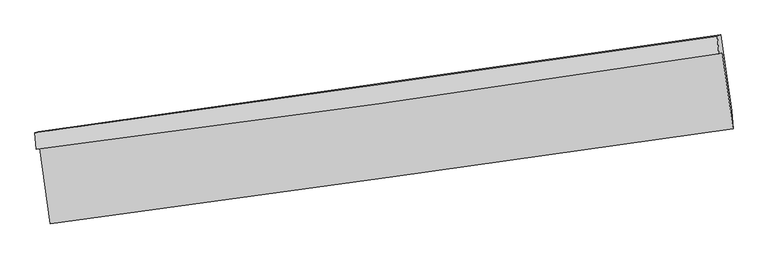
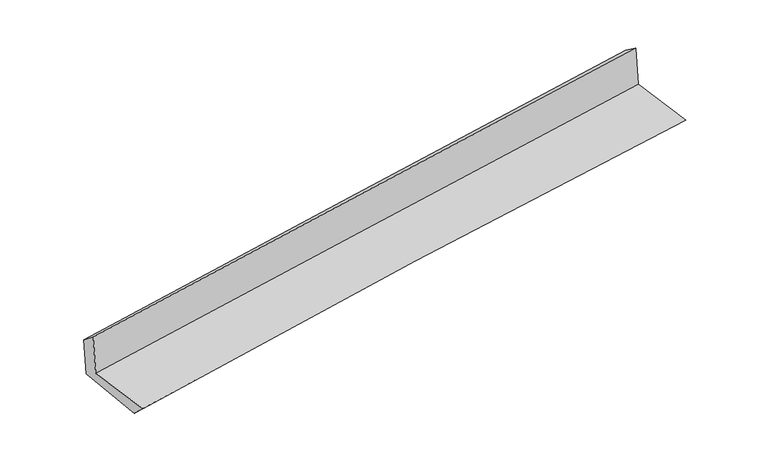
"""IFC4 building model written with IfcOpenShell, lengths in millimetres: proxy geometry."""

from ifc_helpers import new_model, si_unit, frame, origin, place, context, project, spatial, source, transform, mapped, element, save
from ifc_brep_helpers import plane_surface, spline_curve, spline_surface, advanced_brep


def generic_models_ae60f780(model_context):
    return source(origin(), model_context, "Body", "AdvancedBrep", [
        advanced_brep(
        [(-2993.5103754, -1914.75974, 1636.6551729), (-2900.8067273, -2571.9724688, 1626.3663111), (3036.7180107, -1746.2983745, 2120.1811026), (2943.4093653, -1084.1222184, 2130.5549896), (-3024.6338688, -1925.480554, 2041.0336299), (2912.6694344, -1094.7109103, 2529.9499314), (-3035.8169159, -1780.1022242, 1927.7384009), (2899.7277056, -939.5609193, 2421.7949473), (-3006.3827108, -1769.9633032, 1545.3083734), (2929.5454731, -929.2898762, 2034.3814046), (-2908.909547, -2441.0295753, 1499.903545), (3024.6925619, -1590.7564443, 1999.989045)],
        [
            (0, 1),
            (1, 2, spline_curve(3, [(-2900.8067273, -2571.9724688, 1626.3663111), (-1909.341163927, -2438.261513005, 1733.230665462), (-917.321273288, -2302.38591604, 1827.901488059), (1061.860284056, -2027.135270341, 1992.360256101), (2049.015306014, -1887.786169477, 2062.294363791), (3036.7180107, -1746.2983745, 2120.1811026)], [4, 2, 4], [0.0, 9.897502753389004, 19.735506476343012])),
            (2, 3),
            (3, 0, spline_curve(3, [(2943.4093653, -1084.1222184, 2130.5549896), (1957.414596104, -1234.443689077, 2062.246980029), (971.166229498, -1378.634072637, 1987.07948472), (-1007.803940836, -1655.587630721, 1822.52943404), (-2000.528821098, -1788.276421074, 1733.06365689), (-2993.5103754, -1914.75974, 1636.6551729)], [4, 2, 4], [0.0, 9.838003722954008, 19.735506476343012])),
            (4, 0),
            (3, 5),
            (5, 4, spline_curve(3, [(2912.6694344, -1094.7109103, 2529.9499314), (1926.487526731, -1245.096842909, 2464.073357862), (940.113537473, -1389.330498258, 2390.53803836), (-1038.985233118, -1666.328354251, 2227.658856571), (-2031.712345071, -1799.017913338, 2138.222075382), (-3024.6338688, -1925.480554, 2041.0336299)], [4, 2, 4], [0.0, 9.837909012786488, 19.735316483212586])),
            (6, 4),
            (5, 7),
            (7, 6, spline_curve(3, [(2899.7277056, -939.5609193, 2421.7949473), (1913.250069173, -1081.415427248, 2343.671326349), (926.873444306, -1222.179912537, 2263.568246804), (-1051.6426549, -1502.373572149, 2098.906746956), (-2043.780904161, -1641.789521685, 2014.324310546), (-3035.8169159, -1780.1022242, 1927.7384009)], [4, 2, 4], [0.0, 9.837664230581494, 19.73482543839008])),
            (8, 6),
            (7, 9),
            (9, 8, spline_curve(3, [(2929.5454731, -929.2898762, 2034.3814046), (1943.896007152, -1070.859112128, 1945.497607932), (957.90294491, -1211.491475475, 1860.411013467), (-1020.7356147, -1491.727317384, 1697.340600536), (-2013.38528025, -1631.319429779, 1619.402851442), (-3006.3827108, -1769.9633032, 1545.3083734)], [4, 2, 4], [0.0, 9.837524927374725, 19.734545989487966])),
            (10, 8),
            (9, 11),
            (11, 10, spline_curve(3, [(3024.6925619, -1590.7564443, 1999.989045), (2037.810973469, -1731.110051286, 1928.91979492), (1051.392665244, -1871.927926679, 1851.855146851), (-926.480324779, -2155.346671263, 1685.23271866), (-1917.929386444, -2297.953172836, 1595.60219978), (-2908.909547, -2441.0295753, 1499.903545)], [4, 2, 4], [0.0, 9.837473598327033, 19.734443020960846])),
            (1, 10),
            (11, 2),
        ],
        [
            spline_surface(3, 3, [[(-2993.5103754, -1914.75974, 1636.6551729), (-2000.528820978, -1788.276421165, 1733.063657013), (-1007.803940752, -1655.58763079, 1822.529434038), (971.166229415, -1378.634072568, 1987.079484721), (1957.4145961, -1234.443689047, 2062.24697995), (2943.4093653, -1084.1222184, 2130.5549896)], [(-2962.609159361, -2133.8306496, 1633.22555229), (-1970.132935331, -2004.93811846, 1733.119326515), (-977.643051598, -1871.187059165, 1824.32011876), (1001.397580952, -1594.801138543, 1988.839741829), (1987.948166047, -1452.224515867, 2062.262774596), (2974.512247092, -1304.847603773, 2127.097027261)], [(-2931.707943339, -2352.9015592, 1629.79593171), (-1939.737049701, -2221.599815755, 1733.174996049), (-947.482162428, -2086.786487526, 1826.110803438), (1031.628932505, -1810.968204505, 1990.599998893), (2018.48173602, -1670.005342668, 2062.278569258), (3005.615128908, -1525.572989127, 2123.639064939)], [(-2900.8067273, -2571.9724688, 1626.3663111), (-1909.341164054, -2438.26151305, 1733.230665551), (-917.321273274, -2302.3859159, 1827.90148816), (1061.860284043, -2027.13527048, 1992.360256001), (2049.015305967, -1887.786169488, 2062.294363903), (3036.7180107, -1746.2983745, 2120.1811026)]], [4, 4], [4, 2, 4], [0.0, 2.1455744541796435], [0.0, 9.897502753389004, 19.735506476343012]),
            spline_surface(3, 3, [[(-3024.6338688, -1925.480554, 2041.0336299), (-2031.712345074, -1799.017913368, 2138.222075286), (-1038.985233152, -1666.32835426, 2227.658856432), (940.113537507, -1389.330498248, 2390.538038499), (1926.487526678, -1245.096842775, 2464.073357861), (2912.6694344, -1094.7109103, 2529.9499314)], [(-3014.259371001, -1921.90694932, 1906.240810913), (-2021.317837043, -1795.437415953, 2003.169269208), (-1028.591469022, -1662.74811309, 2092.615715641), (950.464434806, -1385.765023008, 2256.051853913), (1936.796549825, -1241.545791526, 2330.131231898), (2922.91607804, -1091.181346327, 2396.818284141)], [(-3003.884873199, -1918.33334468, 1771.447991887), (-2010.923329008, -1791.85691858, 1868.11646309), (-1018.197704882, -1659.167871961, 1957.572574829), (960.815332116, -1382.199547809, 2121.565669307), (1947.105572952, -1237.994740296, 2196.189105913), (2933.16272166, -1087.651782373, 2263.686636859)], [(-2993.5103754, -1914.75974, 1636.6551729), (-2000.528820978, -1788.276421165, 1733.063657013), (-1007.803940752, -1655.58763079, 1822.529434038), (971.166229415, -1378.634072568, 1987.079484721), (1957.4145961, -1234.443689047, 2062.24697995), (2943.4093653, -1084.1222184, 2130.5549896)]], [4, 4], [4, 2, 4], [0.0, 1.3308279915803551], [0.0, 9.897407470426097, 19.735316483212586]),
            spline_surface(3, 3, [[(-3035.8169159, -1780.1022242, 1927.7384009), (-2043.780904009, -1641.789521678, 2014.324310688), (-1051.642654964, -1502.373572079, 2098.906746875), (926.87344437, -1222.179912606, 2263.568246885), (1913.25006917, -1081.415427225, 2343.6713262), (2899.7277056, -939.5609193, 2421.7949473)], [(-3032.089233526, -1828.561667477, 1965.503477211), (-2039.758051023, -1694.198985585, 2055.623565531), (-1047.423514342, -1557.025166155, 2141.824116708), (931.286808768, -1277.896774502, 2305.891510737), (1917.662555006, -1135.975899086, 2383.805336743), (2904.0416152, -991.277582978, 2457.846608657)], [(-3028.361551174, -1877.021110723, 2003.268553589), (-2035.735198059, -1746.608449461, 2096.922820442), (-1043.204373774, -1611.676760185, 2184.741486598), (935.70017311, -1333.613636353, 2348.214774647), (1922.075040843, -1190.536370914, 2423.939347317), (2908.3555248, -1042.994246622, 2493.898270043)], [(-3024.6338688, -1925.480554, 2041.0336299), (-2031.712345074, -1799.017913368, 2138.222075286), (-1038.985233152, -1666.32835426, 2227.658856432), (940.113537507, -1389.330498248, 2390.538038499), (1926.487526678, -1245.096842775, 2464.073357861), (2912.6694344, -1094.7109103, 2529.9499314)]], [4, 4], [4, 2, 4], [0.0, 0.6875832428224549], [0.0, 9.897161207808585, 19.73482543839008]),
            spline_surface(3, 3, [[(-3006.3827108, -1769.9633032, 1545.3083734), (-2013.385280253, -1631.319429929, 1619.40285148), (-1020.735614576, -1491.727317487, 1697.340600686), (957.902944787, -1211.491475372, 1860.411013318), (1943.896007037, -1070.859112147, 1945.497607868), (2929.5454731, -929.2898762, 2034.3814046)], [(-3016.194112497, -1773.342943517, 1672.785049247), (-2023.517154836, -1634.809460495, 1751.043337897), (-1031.03796137, -1495.276068996, 1831.19598274), (947.559777984, -1215.054287762, 1994.796757831), (1933.680694392, -1074.37788383, 2078.222180653), (2919.606217244, -932.713557224, 2163.519252175)], [(-3026.005514203, -1776.722583883, 1800.261725053), (-2033.649029426, -1638.299491111, 1882.683824272), (-1041.340308171, -1498.82482057, 1965.051364821), (937.216611173, -1218.617100216, 2129.182502372), (1923.465381815, -1077.896655541, 2210.946753414), (2909.666961456, -936.137238276, 2292.657099725)], [(-3035.8169159, -1780.1022242, 1927.7384009), (-2043.780904009, -1641.789521678, 2014.324310688), (-1051.642654964, -1502.373572079, 2098.906746875), (926.87344437, -1222.179912606, 2263.568246885), (1913.25006917, -1081.415427225, 2343.6713262), (2899.7277056, -939.5609193, 2421.7949473)]], [4, 4], [4, 2, 4], [0.0, 1.3244346393971123], [0.0, 9.897021062113241, 19.734545989487966]),
            spline_surface(3, 3, [[(-2908.909547, -2441.0295753, 1499.903545), (-1917.92938633, -2297.953172767, 1595.602199706), (-926.480324921, -2155.346671137, 1685.232718504), (1051.392665386, -1871.927926804, 1851.855147006), (2037.810973597, -1731.110051411, 1928.919794918), (3024.6925619, -1590.7564443, 1999.989045)], [(-2941.400601593, -2217.340817951, 1515.038487783), (-1949.748017631, -2075.741925171, 1603.535750281), (-957.898754817, -1934.140219926, 1689.26867926), (1020.229425175, -1651.782443, 1854.707102473), (2006.505984763, -1511.026404995, 1934.445732561), (2992.976865653, -1370.267588272, 2011.45316486)], [(-2973.891656207, -1993.652060549, 1530.173430617), (-1981.566648952, -1853.530677524, 1611.469300906), (-989.31718468, -1712.933768698, 1693.30463993), (989.066184998, -1431.636959176, 1857.559057851), (1975.200995871, -1290.942758563, 1939.971670224), (2961.261169347, -1149.778732228, 2022.91728474)], [(-3006.3827108, -1769.9633032, 1545.3083734), (-2013.385280253, -1631.319429929, 1619.40285148), (-1020.735614576, -1491.727317487, 1697.340600686), (957.902944787, -1211.491475372, 1860.411013318), (1943.896007037, -1070.859112147, 1945.497607868), (2929.5454731, -929.2898762, 2034.3814046)]], [4, 4], [4, 2, 4], [0.0, 2.1940288024122006], [0.0, 9.896969422633813, 19.734443020960846]),
            spline_surface(3, 3, [[(-2900.8067273, -2571.9724688, 1626.3663111), (-1909.341164054, -2438.26151305, 1733.230665551), (-917.321273274, -2302.3859159, 1827.90148816), (1061.860284043, -2027.13527048, 1992.360256001), (2049.015305967, -1887.786169488, 2062.294363903), (3036.7180107, -1746.2983745, 2120.1811026)], [(-2903.507667221, -2528.324837636, 1584.212055756), (-1912.203904833, -2391.492066292, 1687.354510292), (-920.374290492, -2253.372834322, 1780.345231585), (1058.371077822, -1975.399489265, 1945.525219647), (2045.280528515, -1835.56079679, 2017.836174248), (3032.709527772, -1694.451064427, 2080.117083407)], [(-2906.208607079, -2484.677206464, 1542.057800344), (-1915.06664555, -2344.722619525, 1641.478354965), (-923.427307704, -2204.359752715, 1732.788975078), (1054.881871607, -1923.66370802, 1898.69018336), (2041.545751049, -1783.335424109, 1973.377984573), (3028.701044828, -1642.603754373, 2040.053064193)], [(-2908.909547, -2441.0295753, 1499.903545), (-1917.92938633, -2297.953172767, 1595.602199706), (-926.480324921, -2155.346671137, 1685.232718504), (1051.392665386, -1871.927926804, 1851.855147006), (2037.810973597, -1731.110051411, 1928.919794918), (3024.6925619, -1590.7564443, 1999.989045)]], [4, 4], [4, 2, 4], [0.0, 0.680136958690426], [0.0, 9.897326465267458, 19.735154959859393]),
            plane_surface(frame((2957.7937585, -1230.7897905, 2206.1419034), z_axis=(0.9872437619718372, 0.13786694898601085, 0.07963955565535974), x_axis=(-0.07671249503968461, -0.026424424260773335, 0.9967030364693754))),
            plane_surface(frame((-2978.3433575, -2067.2179776, 1712.8342389), z_axis=(-0.9872240406064955, -0.13800683275509876, -0.07964174634882719), x_axis=(-0.13965631655492886, 0.9900787160197926, 0.015499978416387564))),
        ],
        [
            (0, [[1, 2, 3, 4]]),
            (1, [[5, -4, 6, 7]]),
            (2, [[8, -7, 9, 10]]),
            (3, [[11, -10, 12, 13]]),
            (4, [[14, -13, 15, 16]]),
            (5, [[17, -16, 18, -2]]),
            (6, [[-12, -9, -6, -3, -18, -15]]),
            (7, [[-1, -5, -8, -11, -14, -17]]),
        ],
    ),
    ])


if __name__ == "__main__":
    model = new_model("IFC4")
    model_context = context("Model", 3, world=origin())
    ifc_project = project(units=[si_unit("LENGTHUNIT", "METRE", prefix="MILLI")], contexts=[model_context])
    site = spatial("IfcSite", under=ifc_project)
    building = spatial("IfcBuilding", under=site)
    placement = place(None, origin())
    generic_models_shape = generic_models_ae60f780(model_context)
    element("IfcBuildingElementProxy", 1, Name="Generic Models", at=placement, inside=building, context=model_context, shape_type="MappedRepresentation", body=[
        mapped(generic_models_shape, transform((0.0, 0.0, 0.0), x_axis=(1.0, 0.0, 0.0), y_axis=(0.0, 1.0, 0.0), z_axis=(0.0, 0.0, 1.0))),
    ])
    save(model, "model.ifc")
